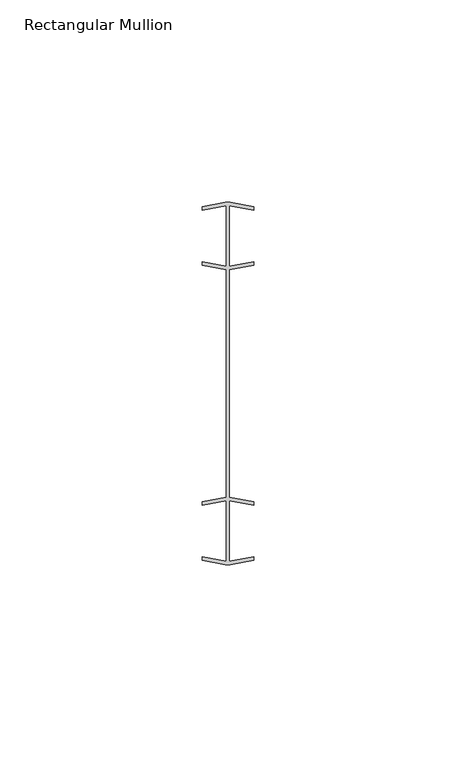
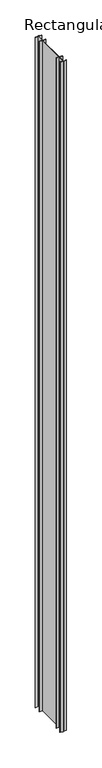
"""IFC4 building model written with IfcOpenShell, lengths in millimetres: member geometry, Rectangular Mullion."""

from ifc_helpers import new_model, si_unit, frame, origin, place, context, project, spatial, polyline, outline, extrude, source, transform, mapped, element, save


def rectangular_mullion_fc242575(model_context):
    return source(origin(), model_context, "Body", "SweptSolid", [
        extrude(outline(polyline([(0.396875, -29.0145986), (0.396875, -43.9590313), (6.3683652, -42.836815), (6.3683652, -43.7413773), (0.6520148, -44.8156455), (-0.6152845, -44.8156455), (-6.3316348, -43.7413773), (-6.3316348, -42.836815), (-0.396875, -43.9521286), (-0.396875, -29.0215013), (-6.3316348, -30.136815), (-6.3316348, -29.2322526), (-0.396875, -28.116939), (-0.396875, 28.116939), (-6.3316348, 29.2322526), (-6.3316348, 30.136815), (-0.396875, 29.0215013), (-0.396875, 43.9521286), (-6.3316348, 42.836815), (-6.3316348, 43.7413773), (-0.6152845, 44.8156455), (0.6520148, 44.8156455), (6.3683652, 43.7413773), (6.3683652, 42.836815), (0.396875, 43.9590313), (0.396875, 29.0145986), (6.3683652, 30.136815), (6.3683652, 29.2322526), (0.396875, 28.1100363), (0.396875, -28.1100363), (6.3683652, -29.2322526), (6.3683652, -30.136815), (0.396875, -29.0145986)])), frame((0.0, 0.0, -1435.1), z_axis=(0.0, 0.0, 1.0), x_axis=(1.0, 0.0, 0.0)), (0.0, 0.0, 1.0), 1435.1),
    ])


if __name__ == "__main__":
    model = new_model("IFC4")
    model_context = context("Model", 3, world=origin())
    ifc_project = project(units=[si_unit("LENGTHUNIT", "METRE", prefix="MILLI")], contexts=[model_context])
    site = spatial("IfcSite", under=ifc_project)
    building = spatial("IfcBuilding", under=site)
    placement = place(None, origin())
    rectangular_mullion_shape = rectangular_mullion_fc242575(model_context)
    element("IfcMember", 1, ObjectType="Rectangular Mullion", at=placement, inside=building, context=model_context, shape_type="MappedRepresentation", body=[
        mapped(rectangular_mullion_shape, transform((0.0, 0.0, 0.0), x_axis=(1.0, 0.0, 0.0), y_axis=(0.0, 1.0, 0.0), z_axis=(0.0, 0.0, 1.0))),
    ])
    save(model, "model.ifc")
